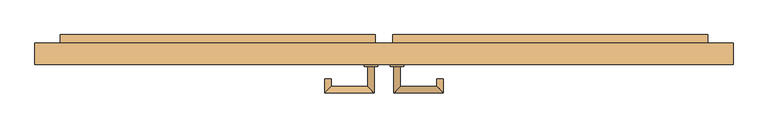
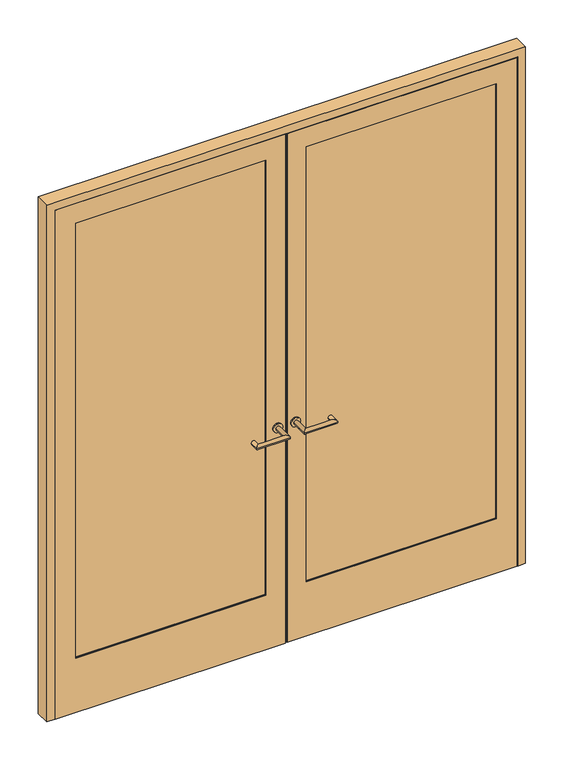
"""IFC4 building model written with IfcOpenShell, lengths in millimetres: door geometry."""

from ifc_helpers import new_model, si_unit, point, frame, frame_2d, origin, place, context, project, spatial, polyline, circle_curve, ellipse_curve, trimmed, segment, composite_curve, outline, extrude, faceted_brep, source, transform, mapped, element, save
from ifc_brep_helpers import plane_surface, cylinder_surface, advanced_brep


def door_a3543a00(model_context):
    return source(origin(), model_context, "Body", "SolidModel", [
        extrude(outline(polyline([(2377.8, -1020.35), (0.0, -1020.35), (0.0, -4.7625), (2377.8, -4.7625), (2377.8, -1020.35)]), holes=[polyline([(254.0, -929.8625), (2287.3125, -929.8625), (2287.3125, -88.9), (254.0, -88.9), (254.0, -929.8625)])]), frame((0.0, -19.05, 0.0), z_axis=(0.0, 1.0, 0.0), x_axis=(0.0, 0.0, 1.0)), (0.0, 0.0, 1.0), 2.4553029),
        faceted_brep([(-999.7125, 42.6733196, 2357.1625), (-4.7625, 42.6733196, 2357.1625), (-4.7625, 42.6733196, 2339.7), (-982.25, 42.6733196, 2339.7), (-982.25, 42.6733196, 0.0), (-999.7125, 42.6733196, 0.0), (-999.7125, -16.5946971, 2357.1625), (-999.7125, -16.5946971, 0.0), (-4.7625, -16.5946971, 0.0), (-4.7625, -16.5946971, 2357.1625), (-929.8625, -16.5946971, 2287.3125), (-88.9, -16.5946971, 2287.3125), (-88.9, -16.5946971, 254.0), (-929.8625, -16.5946971, 254.0), (-4.7625, 46.0375, 0.0), (-4.7625, 46.0375, 2339.7), (-88.9, 46.0375, 2287.3125), (-88.9, 46.0375, 254.0), (-929.8625, 46.0375, 2287.3125), (-929.8625, 46.0375, 254.0), (-982.25, 46.0375, 0.0), (-982.25, 46.0375, 2339.7)], [[[0, 1, 2, 3, 4, 5]], [[6, 7, 8, 9], [10, 11, 12, 13]], [[1, 0, 6, 9]], [[9, 8, 14, 15, 2, 1]], [[12, 11, 16, 17]], [[16, 11, 10, 18]], [[18, 10, 13, 19]], [[14, 8, 7, 5, 4, 20]], [[0, 5, 7, 6]], [[20, 21, 15, 14], [19, 17, 16, 18]], [[21, 20, 4, 3]], [[15, 21, 3, 2]], [[19, 13, 12, 17]]]),
        extrude(outline(polyline([(-929.8625, 25.4), (-88.9, 25.4), (-88.9, -12.7), (-929.8625, -12.7), (-929.8625, 25.4)])), frame((0.0, 0.0, 254.0), z_axis=(0.0, 0.0, 1.0), x_axis=(1.0, 0.0, 0.0)), (0.0, 0.0, 1.0), 2033.3125),
        advanced_brep(
        [(-49.2125, -25.4, 1020.7625), (-30.1625, -25.4, 1020.7625), (-30.1625, -104.775, 1020.7625), (-49.2125, -85.725, 1020.7625), (-179.3875, -104.775, 1020.7625), (-160.3375, -85.725, 1020.7625), (-160.3375, -63.5, 1020.7625), (-179.3875, -63.5, 1020.7625)],
        [
            (0, 1, circle_curve(frame((-39.6875, -25.4, 1020.7625), z_axis=(0.0, 1.0, 0.0), x_axis=(1.0000000000000004, 0.0, 0.0)), 9.525)),
            (1, 0, circle_curve(frame((-39.6875, -25.4, 1020.7625), z_axis=(0.0, 1.0, 0.0), x_axis=(1.0000000000000004, 0.0, 0.0)), 9.525)),
            (1, 2),
            (2, 3, ellipse_curve(frame((-39.6875, -95.25, 1020.7625), z_axis=(0.7071067811865588, 0.7071067811865362, 0.0), x_axis=(-0.7071067811865362, 0.7071067811865588, 0.0)), 13.4703842, 9.525)),
            (3, 0),
            (3, 2, ellipse_curve(frame((-39.6875, -95.25, 1020.7625), z_axis=(0.7071067811865588, 0.7071067811865362, 0.0), x_axis=(-0.7071067811865362, 0.7071067811865588, 0.0)), 13.4703842, 9.525)),
            (2, 4),
            (4, 5, ellipse_curve(frame((-169.8625, -95.25, 1020.7625), z_axis=(0.707106781186536, -0.707106781186559, 0.0), x_axis=(0.707106781186559, 0.7071067811865359, 0.0)), 13.4703842, 9.525)),
            (5, 3),
            (5, 4, ellipse_curve(frame((-169.8625, -95.25, 1020.7625), z_axis=(0.707106781186536, -0.707106781186559, 0.0), x_axis=(0.707106781186559, 0.7071067811865359, 0.0)), 13.4703842, 9.525)),
            (6, 7, circle_curve(frame((-169.8625, -63.5, 1020.7625), z_axis=(0.0, 1.0, 0.0), x_axis=(-1.0000000000000004, 0.0, 0.0)), 9.525)),
            (7, 6, circle_curve(frame((-169.8625, -63.5, 1020.7625), z_axis=(0.0, 1.0, 0.0), x_axis=(-1.0000000000000004, 0.0, 0.0)), 9.525)),
            (4, 7),
            (6, 5),
        ],
        [
            plane_surface(frame((-39.6875, -25.4, 0.0), z_axis=(0.0, 1.0, 0.0), x_axis=(0.0, 0.0, 1.0))),
            cylinder_surface(frame((-39.6875, -25.4, 1020.7625), z_axis=(0.0, 1.0000000000000004, 0.0), x_axis=(1.0000000000000004, 0.0, 0.0)), 9.525),
            cylinder_surface(frame((-39.6875, -95.25, 1020.7625), z_axis=(1.0000000000000004, 0.0, 0.0), x_axis=(0.0, -1.0000000000000004, 0.0)), 9.525),
            plane_surface(frame((-169.8625, -63.5, 0.0), z_axis=(0.0, 1.0, 0.0), x_axis=(0.0, 0.0, 1.0))),
            cylinder_surface(frame((-169.8625, -95.25, 1020.7625), z_axis=(0.0, -1.0000000000000004, 0.0), x_axis=(-1.0000000000000004, 0.0, 0.0)), 9.525),
        ],
        [
            (0, [[1, 2]]),
            (1, [[-2, 3, 4, 5]]),
            (1, [[-1, -5, 6, -3]]),
            (2, [[-4, 7, 8, 9]]),
            (2, [[-6, -9, 10, -7]]),
            (3, [[11, 12]]),
            (4, [[-8, 13, -11, 14]]),
            (4, [[-10, -14, -12, -13]]),
        ],
    ),
        extrude(outline(polyline([(-982.25, 71.4375), (-26.9875, 71.4375), (-26.9875, 46.0375), (-982.25, 46.0375), (-982.25, 71.4375)])), frame((0.0, 0.0, 986.63125), z_axis=(0.0, 0.0, 1.0), x_axis=(1.0, 0.0, 0.0)), (0.0, 0.0, 1.0), 68.2625),
        extrude(outline(composite_curve([segment(trimmed(circle_curve(frame_2d((1020.7625, -39.6875)), 20.6375), [point((1020.7625, -60.325))], [point((1020.7625, -19.05))], False, "CARTESIAN"), True, "CONTINUOUS"), segment(trimmed(circle_curve(frame_2d((1020.7625, -39.6875)), 20.6375), [point((1020.7625, -19.05))], [point((1020.7625, -60.325))], False, "CARTESIAN"), True, "CONTINUOUS")], self_intersect=False)), frame((0.0, -25.4, 0.0), z_axis=(0.0, 1.0, 0.0), x_axis=(0.0, 0.0, 1.0)), (0.0, 0.0, 1.0), 6.35),
        extrude(outline(polyline([(2377.8, 1020.35), (2377.8, 4.7625), (0.0, 4.7625), (0.0, 1020.35), (2377.8, 1020.35)]), holes=[polyline([(254.0, 929.8625), (254.0, 88.9), (2287.3125, 88.9), (2287.3125, 929.8625), (254.0, 929.8625)])]), frame((0.0, -19.05, 0.0), z_axis=(0.0, 1.0, 0.0), x_axis=(0.0, 0.0, 1.0)), (0.0, 0.0, 1.0), 2.4553029),
        faceted_brep([(999.7125, 42.6733196, 2357.1625), (999.7125, 42.6733196, 0.0), (982.25, 42.6733196, 0.0), (982.25, 42.6733196, 2339.7), (4.7625, 42.6733196, 2339.7), (4.7625, 42.6733196, 2357.1625), (999.7125, -16.5946971, 2357.1625), (4.7625, -16.5946971, 2357.1625), (4.7625, -16.5946971, 0.0), (999.7125, -16.5946971, 0.0), (929.8625, -16.5946971, 2287.3125), (929.8625, -16.5946971, 254.0), (88.9, -16.5946971, 254.0), (88.9, -16.5946971, 2287.3125), (4.7625, 46.0375, 2339.7), (4.7625, 46.0375, 0.0), (88.9, 46.0375, 254.0), (88.9, 46.0375, 2287.3125), (929.8625, 46.0375, 2287.3125), (929.8625, 46.0375, 254.0), (982.25, 46.0375, 0.0), (982.25, 46.0375, 2339.7)], [[[0, 1, 2, 3, 4, 5]], [[6, 7, 8, 9], [10, 11, 12, 13]], [[5, 7, 6, 0]], [[7, 5, 4, 14, 15, 8]], [[12, 16, 17, 13]], [[17, 18, 10, 13]], [[18, 19, 11, 10]], [[15, 20, 2, 1, 9, 8]], [[0, 6, 9, 1]], [[20, 15, 14, 21], [19, 18, 17, 16]], [[21, 3, 2, 20]], [[14, 4, 3, 21]], [[19, 16, 12, 11]]]),
        extrude(outline(polyline([(929.8625, 25.4), (929.8625, -12.7), (88.9, -12.7), (88.9, 25.4), (929.8625, 25.4)])), frame((0.0, 0.0, 254.0), z_axis=(0.0, 0.0, 1.0), x_axis=(1.0, 0.0, 0.0)), (0.0, 0.0, 1.0), 2033.3125),
        advanced_brep(
        [(49.2125, -25.4, 1020.7625), (30.1625, -25.4, 1020.7625), (49.2125, -85.725, 1020.7625), (30.1625, -104.775, 1020.7625), (160.3375, -85.725, 1020.7625), (179.3875, -104.775, 1020.7625), (160.3375, -63.5, 1020.7625), (179.3875, -63.5, 1020.7625)],
        [
            (0, 1, circle_curve(frame((39.6875, -25.4, 1020.7625), z_axis=(0.0, 1.0, 0.0), x_axis=(-1.0000000000000004, 0.0, 0.0)), 9.525)),
            (1, 0, circle_curve(frame((39.6875, -25.4, 1020.7625), z_axis=(0.0, 1.0, 0.0), x_axis=(-1.0000000000000004, 0.0, 0.0)), 9.525)),
            (0, 2),
            (2, 3, ellipse_curve(frame((39.6875, -95.25, 1020.7625), z_axis=(-0.7071067811865588, 0.7071067811865362, 0.0), x_axis=(0.7071067811865362, 0.7071067811865588, 0.0)), 13.4703842, 9.525)),
            (3, 1),
            (3, 2, ellipse_curve(frame((39.6875, -95.25, 1020.7625), z_axis=(-0.7071067811865588, 0.7071067811865362, 0.0), x_axis=(0.7071067811865362, 0.7071067811865588, 0.0)), 13.4703842, 9.525)),
            (2, 4),
            (4, 5, ellipse_curve(frame((169.8625, -95.25, 1020.7625), z_axis=(-0.707106781186536, -0.707106781186559, 0.0), x_axis=(-0.707106781186559, 0.7071067811865359, 0.0)), 13.4703842, 9.525)),
            (5, 3),
            (5, 4, ellipse_curve(frame((169.8625, -95.25, 1020.7625), z_axis=(-0.707106781186536, -0.707106781186559, 0.0), x_axis=(-0.707106781186559, 0.7071067811865359, 0.0)), 13.4703842, 9.525)),
            (6, 7, circle_curve(frame((169.8625, -63.5, 1020.7625), z_axis=(0.0, 1.0, 0.0), x_axis=(1.0000000000000004, 0.0, 0.0)), 9.525)),
            (7, 6, circle_curve(frame((169.8625, -63.5, 1020.7625), z_axis=(0.0, 1.0, 0.0), x_axis=(1.0000000000000004, 0.0, 0.0)), 9.525)),
            (4, 6),
            (7, 5),
        ],
        [
            plane_surface(frame((39.6875, -25.4, 0.0), z_axis=(0.0, 1.0, 0.0), x_axis=(0.0, 0.0, 1.0))),
            cylinder_surface(frame((39.6875, -25.4, 1020.7625), z_axis=(0.0, 1.0000000000000004, 0.0), x_axis=(-1.0000000000000004, 0.0, 0.0)), 9.525),
            cylinder_surface(frame((39.6875, -95.25, 1020.7625), z_axis=(-1.0000000000000004, 0.0, 0.0), x_axis=(0.0, -1.0000000000000004, 0.0)), 9.525),
            plane_surface(frame((169.8625, -63.5, 0.0), z_axis=(0.0, 1.0, 0.0), x_axis=(0.0, 0.0, 1.0))),
            cylinder_surface(frame((169.8625, -95.25, 1020.7625), z_axis=(0.0, -1.0000000000000004, 0.0), x_axis=(1.0000000000000004, 0.0, 0.0)), 9.525),
        ],
        [
            (0, [[1, 2]]),
            (1, [[3, 4, 5, -1]]),
            (1, [[-5, 6, -3, -2]]),
            (2, [[7, 8, 9, -4]]),
            (2, [[-9, 10, -7, -6]]),
            (3, [[11, 12]]),
            (4, [[13, -12, 14, -8]]),
            (4, [[-14, -11, -13, -10]]),
        ],
    ),
        extrude(outline(polyline([(982.25, 71.4375), (982.25, 46.0375), (26.9875, 46.0375), (26.9875, 71.4375), (982.25, 71.4375)])), frame((0.0, 0.0, 986.63125), z_axis=(0.0, 0.0, 1.0), x_axis=(1.0, 0.0, 0.0)), (0.0, 0.0, 1.0), 68.2625),
        extrude(outline(composite_curve([segment(trimmed(circle_curve(frame_2d((1020.7625, 39.6875)), 20.6375), [point((1020.7625, 60.325))], [point((1020.7625, 19.05))], False, "CARTESIAN"), True, "CONTINUOUS"), segment(trimmed(circle_curve(frame_2d((1020.7625, 39.6875)), 20.6375), [point((1020.7625, 19.05))], [point((1020.7625, 60.325))], False, "CARTESIAN"), True, "CONTINUOUS")], self_intersect=False)), frame((0.0, -25.4, 0.0), z_axis=(0.0, 1.0, 0.0), x_axis=(0.0, 0.0, 1.0)), (0.0, 0.0, 1.0), 6.35),
        faceted_brep([(1058.45, -19.05, 0.0), (1023.525, -19.05, 0.0), (1023.525, -12.7, 0.0), (1009.2375, -12.7, 0.0), (1009.2375, 42.8625, 0.0), (988.6, 42.8625, 0.0), (988.6, 46.0375, 0.0), (1058.45, 46.0375, 0.0), (1058.45, 46.0375, 2415.9), (1058.45, -19.05, 2415.9), (988.6, 46.0375, 2346.05), (-988.6, 46.0375, 2346.05), (-988.6, 46.0375, 0.0), (-1058.45, 46.0375, 0.0), (-1058.45, 46.0375, 2415.9), (988.6, 42.8625, 2346.05), (1009.2375, 42.8625, 2366.6875), (-1009.2375, 42.8625, 2366.6875), (-1009.2375, 42.8625, 0.0), (-988.6, 42.8625, 0.0), (-988.6, 42.8625, 2346.05), (1009.2375, -12.7, 2366.6875), (1023.525, -12.7, 2380.975), (-1023.525, -12.7, 2380.975), (-1023.525, -12.7, 0.0), (-1009.2375, -12.7, 0.0), (-1009.2375, -12.7, 2366.6875), (1023.525, -19.05, 2380.975), (-1058.45, -19.05, 2415.9), (-1058.45, -19.05, 0.0), (-1023.525, -19.05, 0.0), (-1023.525, -19.05, 2380.975)], [[[0, 1, 2, 3, 4, 5, 6, 7]], [[7, 8, 9, 0]], [[6, 10, 11, 12, 13, 14, 8, 7]], [[5, 15, 10, 6]], [[4, 16, 17, 18, 19, 20, 15, 5]], [[3, 21, 16, 4]], [[2, 22, 23, 24, 25, 26, 21, 3]], [[1, 27, 22, 2]], [[0, 9, 28, 29, 30, 31, 27, 1]], [[14, 13, 29, 28]], [[29, 13, 12, 19, 18, 25, 24, 30]], [[20, 19, 12, 11]], [[26, 25, 18, 17]], [[31, 30, 24, 23]], [[8, 14, 28, 9]], [[15, 20, 11, 10]], [[27, 31, 23, 22]], [[21, 26, 17, 16]]]),
    ])


if __name__ == "__main__":
    model = new_model("IFC4")
    model_context = context("Model", 3, world=origin())
    ifc_project = project(units=[si_unit("LENGTHUNIT", "METRE", prefix="MILLI")], contexts=[model_context])
    site = spatial("IfcSite", under=ifc_project)
    building = spatial("IfcBuilding", under=site)
    placement = place(None, origin())
    door_shape = door_a3543a00(model_context)
    element("IfcDoor", 1, at=placement, inside=building, context=model_context, shape_type="MappedRepresentation", body=[
        mapped(door_shape, transform((0.0, 0.0, 0.0), x_axis=(1.0, 0.0, 0.0), y_axis=(0.0, 1.0, 0.0), z_axis=(0.0, 0.0, 1.0))),
    ])
    save(model, "model.ifc")
